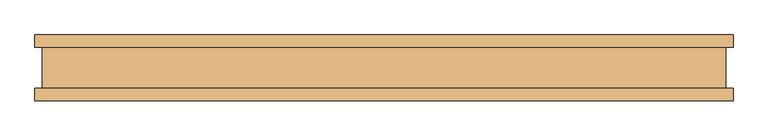
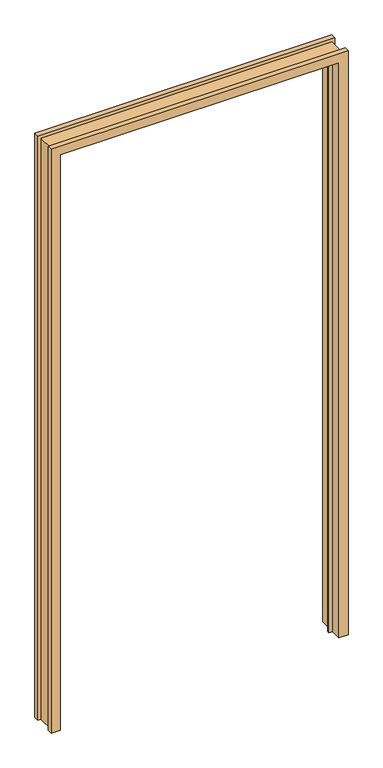
"""IFC4 building model written with IfcOpenShell, lengths in millimetres: door geometry."""

from ifc_helpers import new_model, si_unit, origin, place, context, project, spatial, faceted_brep, source, transform, mapped, element, save


def door_7b768f19(model_context):
    return source(origin(), model_context, "Body", "Brep", [
        faceted_brep([(-531.6982, 31.447233, 0.0), (-531.6982, 49.989233, 0.0), (-498.6782, 49.989233, 0.0), (-498.6782, -2.6789063, 0.0), (-485.7242, -2.6789063, 0.0), (-485.7242, -10.907167, 0.0), (-498.6782, -10.907167, 0.0), (-498.6782, -50.010667, 0.0), (-531.6982, -50.010667, 0.0), (-531.6982, -31.468567, 0.0), (-520.7, -31.468567, 0.0), (-520.7, 31.447233, 0.0), (-531.6982, 31.447233, 2209.7925997), (-531.6982, 49.989233, 2209.7925997), (531.6982, 49.989233, 2209.7925997), (531.6982, 49.989233, 0.0), (498.6782, 49.989233, 0.0), (498.6782, 49.989233, 2176.7725997), (-498.6782, 49.989233, 2176.7725997), (-498.6782, -2.6789063, 2176.7725997), (498.6782, -2.6789063, 2176.7725997), (498.6782, -2.6789063, 0.0), (485.7242, -2.6789063, 0.0), (485.7242, -2.6789063, 2163.8185997), (-485.7242, -2.6789063, 2163.8185997), (-485.7242, -10.907167, 2163.8185997), (485.7242, -10.907167, 2163.8185997), (485.7242, -10.907167, 0.0), (498.6782, -10.907167, 0.0), (498.6782, -10.907167, 2176.7725997), (-498.6782, -10.907167, 2176.7725997), (-498.6782, -50.010667, 2176.7725997), (498.6782, -50.010667, 2176.7725997), (498.6782, -50.010667, 0.0), (531.6982, -50.010667, 0.0), (531.6982, -50.010667, 2209.7925997), (-531.6982, -50.010667, 2209.7925997), (-531.6982, -31.468567, 2209.7925997), (531.6982, -31.468567, 2209.7925997), (531.6982, -31.468567, 0.0), (520.7, -31.468567, 0.0), (520.7, -31.468567, 2198.7943997), (-520.7, -31.468567, 2198.7943997), (-520.7, 31.447233, 2198.7943997), (520.7, 31.447233, 2198.7943997), (520.7, 31.447233, 0.0), (531.6982, 31.447233, 0.0), (531.6982, 31.447233, 2209.7925997)], [[[0, 1, 2, 3, 4, 5, 6, 7, 8, 9, 10, 11]], [[1, 0, 12, 13]], [[2, 1, 13, 14, 15, 16, 17, 18]], [[3, 2, 18, 19]], [[4, 3, 19, 20, 21, 22, 23, 24]], [[5, 4, 24, 25]], [[6, 5, 25, 26, 27, 28, 29, 30]], [[7, 6, 30, 31]], [[8, 7, 31, 32, 33, 34, 35, 36]], [[9, 8, 36, 37]], [[10, 9, 37, 38, 39, 40, 41, 42]], [[11, 10, 42, 43]], [[0, 11, 43, 44, 45, 46, 47, 12]], [[32, 29, 28, 33]], [[46, 45, 40, 39, 34, 33, 28, 27, 22, 21, 16, 15]], [[44, 41, 40, 45]], [[26, 23, 22, 27]], [[20, 17, 16, 21]], [[14, 47, 46, 15]], [[38, 35, 34, 39]], [[31, 30, 29, 32]], [[43, 42, 41, 44]], [[25, 24, 23, 26]], [[19, 18, 17, 20]], [[13, 12, 47, 14]], [[37, 36, 35, 38]]]),
    ])


if __name__ == "__main__":
    model = new_model("IFC4")
    model_context = context("Model", 3, world=origin())
    ifc_project = project(units=[si_unit("LENGTHUNIT", "METRE", prefix="MILLI")], contexts=[model_context])
    site = spatial("IfcSite", under=ifc_project)
    building = spatial("IfcBuilding", under=site)
    placement = place(None, origin())
    door_shape = door_7b768f19(model_context)
    element("IfcDoor", 1, at=placement, inside=building, context=model_context, shape_type="MappedRepresentation", body=[
        mapped(door_shape, transform((0.0, 0.0, 0.0), x_axis=(1.0, 0.0, 0.0), y_axis=(0.0, 1.0, 0.0), z_axis=(0.0, 0.0, 1.0))),
    ])
    save(model, "model.ifc")
